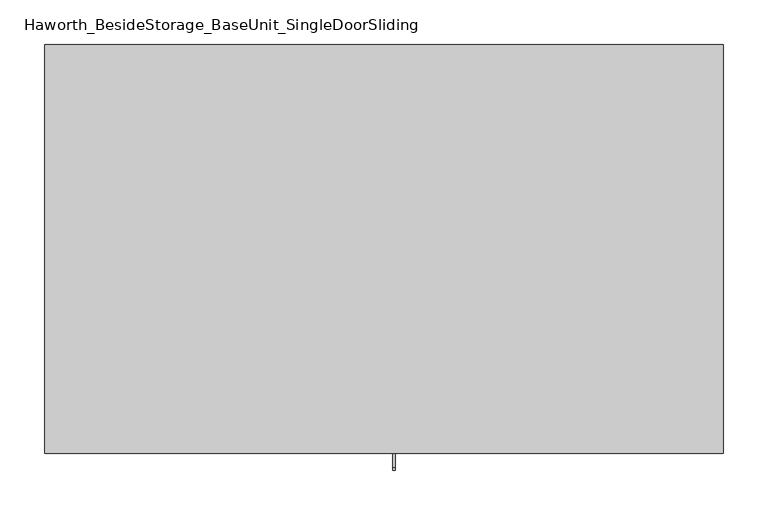
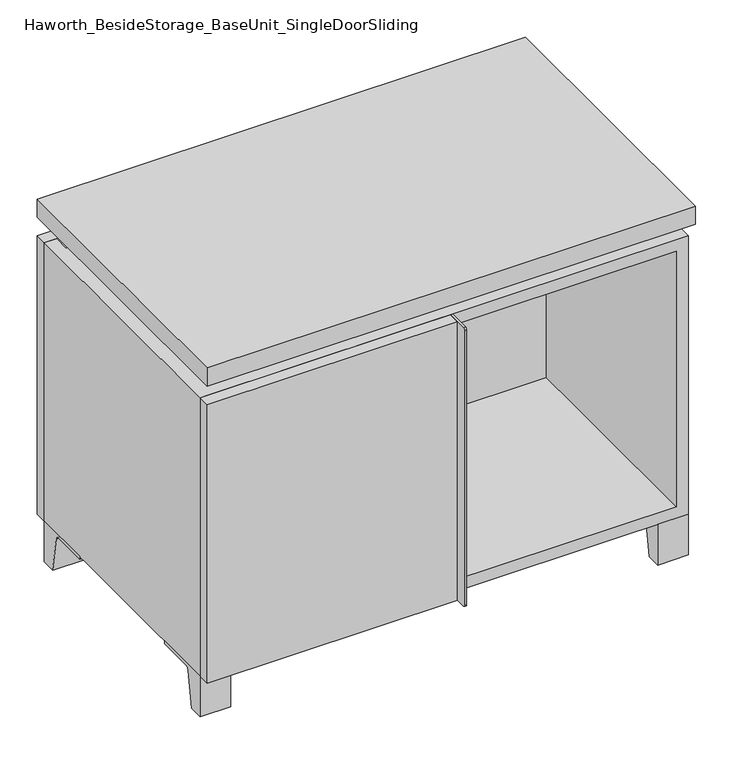
"""IFC4 building model written with IfcOpenShell, lengths in millimetres: furniture geometry, Haworth_BesideStorage_BaseUnit_SingleDoorSliding."""

from ifc_helpers import new_model, si_unit, point, frame, frame_2d, origin, place, context, project, spatial, polyline, circle_curve, trimmed, segment, composite_curve, outline, extrude, faceted_brep, source, transform, mapped, element, save


def haworth_besidestorage_baseunit_singledoorsliding_e804cdb2(model_context):
    return source(origin(), model_context, "Body", "SolidModel", [
        extrude(outline(composite_curve([segment(polyline([(-123.2958469, 0.0), (-146.05, 0.0), (-146.05, 66.675), (-50.8, 66.675), (-50.8, 61.8963321), (-107.6005345, 61.8963321)]), True, "CONTINUOUS"), segment(trimmed(circle_curve(frame_2d((-107.6005345, 55.5463321)), 6.35), [point((-107.6005345, 61.8963321))], [point((-113.8641359, 56.5902656))], True, "CARTESIAN"), True, "CONTINUOUS"), segment(polyline([(-113.8641359, 56.5902656), (-123.2958469, 0.0)]), True, "CONTINUOUS")], self_intersect=False)), frame((331.8013906, 0.0, 0.0), z_axis=(1.0, 0.0, 0.0), x_axis=(0.0, 1.0, 0.0)), (0.0, 0.0, 1.0), 47.625),
        extrude(outline(composite_curve([segment(polyline([(250.2958469, 0.0), (240.8641359, 56.5902656)]), True, "CONTINUOUS"), segment(trimmed(circle_curve(frame_2d((234.6005345, 55.5463321)), 6.35), [point((240.8641359, 56.5902656))], [point((234.6005345, 61.8963321))], True, "CARTESIAN"), True, "CONTINUOUS"), segment(polyline([(234.6005345, 61.8963321), (177.8, 61.8963321), (177.8, 66.675), (273.05, 66.675), (273.05, 0.0), (250.2958469, 0.0)]), True, "CONTINUOUS")], self_intersect=False)), frame((331.8013906, 0.0, 0.0), z_axis=(1.0, 0.0, 0.0), x_axis=(0.0, 1.0, 0.0)), (0.0, 0.0, 1.0), 47.625),
        extrude(outline(composite_curve([segment(polyline([(-123.2958469, 0.0), (-146.05, 0.0), (-146.05, 66.675), (-50.8, 66.675), (-50.8, 61.8963321), (-107.6005345, 61.8963321)]), True, "CONTINUOUS"), segment(trimmed(circle_curve(frame_2d((-107.6005345, 55.5463321)), 6.35), [point((-107.6005345, 61.8963321))], [point((-113.8641359, 56.5902656))], True, "CARTESIAN"), True, "CONTINUOUS"), segment(polyline([(-113.8641359, 56.5902656), (-123.2958469, 0.0)]), True, "CONTINUOUS")], self_intersect=False)), frame((-379.3986094, 0.0, 0.0), z_axis=(1.0, 0.0, 0.0), x_axis=(0.0, 1.0, 0.0)), (0.0, 0.0, 1.0), 47.625),
        extrude(outline(composite_curve([segment(polyline([(250.2958469, 0.0), (240.8641359, 56.5902656)]), True, "CONTINUOUS"), segment(trimmed(circle_curve(frame_2d((234.6005345, 55.5463321)), 6.35), [point((240.8641359, 56.5902656))], [point((234.6005345, 61.8963321))], True, "CARTESIAN"), True, "CONTINUOUS"), segment(polyline([(234.6005345, 61.8963321), (177.8, 61.8963321), (177.8, 66.675), (273.05, 66.675), (273.05, 0.0), (250.2958469, 0.0)]), True, "CONTINUOUS")], self_intersect=False)), frame((-379.3986094, 0.0, 0.0), z_axis=(1.0, 0.0, 0.0), x_axis=(0.0, 1.0, 0.0)), (0.0, 0.0, 1.0), 47.625),
        faceted_brep([(-379.3986094, -146.05, 66.675), (379.4125, -146.05, 66.675), (379.4125, -146.05, 523.875), (-379.3986094, -146.05, 523.875), (-360.3486094, -146.05, 85.725), (-360.3486094, -146.05, 504.825), (360.3694453, -146.05, 504.825), (360.3486094, -146.05, 85.725), (-379.3986094, 273.05, 66.675), (-379.3986094, 273.05, 523.875), (-360.3486094, 273.05, 523.875), (-360.3486094, 273.05, 85.725), (360.3486094, 273.05, 85.725), (360.3486094, 273.05, 523.875), (379.4125, 273.05, 523.875), (379.4125, 273.05, 66.675), (360.3486094, 247.65, 523.875), (-360.3416641, 247.65, 523.875), (-360.3486094, 247.65, 504.825), (360.3486094, 247.65, 504.825)], [[[0, 1, 2, 3], [4, 5, 6, 7]], [[8, 9, 10, 11, 12, 13, 14, 15]], [[1, 0, 8, 15]], [[2, 1, 15, 14]], [[3, 2, 14, 13, 16, 17, 10, 9]], [[0, 3, 9, 8]], [[11, 10, 17, 18, 5, 4]], [[13, 12, 7, 6, 19, 16]], [[4, 7, 12, 11]], [[6, 5, 18, 19]], [[17, 16, 19, 18]]]),
        extrude(outline(polyline([(379.4263906, -165.1), (-379.3986094, -165.1), (-379.3986094, 292.1), (379.4263906, 292.1), (379.4263906, -165.1)])), frame((0.0, 0.0, 554.0375), z_axis=(0.0, 0.0, 1.0), x_axis=(1.0, 0.0, 0.0)), (0.0, 0.0, 1.0), 30.1625),
        faceted_brep([(7.9513906, -69.85, 554.0375), (7.9513906, -69.85, 523.875), (7.9513906, 53.975, 523.875), (7.9513906, 53.975, 554.0375), (7.9513906, 196.85, 523.875), (7.9513906, 196.85, 554.0375), (7.9513906, 73.025, 554.0375), (7.9513906, 73.025, 523.875), (-7.9236094, 196.85, 554.0375), (-7.9236094, 196.85, 523.875), (-7.9236094, 73.025, 523.875), (-7.9236094, 73.025, 554.0375), (-7.9236094, -69.85, 523.875), (-7.9236094, -69.85, 554.0375), (-7.9236094, 53.975, 554.0375), (-7.9236094, 53.975, 523.875), (-338.0958281, 73.025, 554.0375), (-338.1166641, 247.65, 554.0375), (-353.9916641, 247.65, 554.0375), (-353.9916641, -120.65, 554.0375), (-338.1166641, -120.65, 554.0375), (-338.1166641, 53.975, 554.0375), (338.1236094, 53.975, 554.0375), (338.1236094, -120.65, 554.0375), (353.9986094, -120.65, 554.0375), (353.9986094, 247.65, 554.0375), (338.1236094, 247.65, 554.0375), (338.1236094, 73.025, 554.0375), (-338.0958281, 53.975, 523.875), (-338.1166641, -120.65, 523.875), (-353.9916641, -120.65, 523.875), (-353.9916641, 247.65, 523.875), (-338.1166641, 247.65, 523.875), (-338.1166641, 73.025, 523.875), (338.1236094, 73.025, 523.875), (338.1236094, 247.65, 523.875), (353.9986094, 247.65, 523.875), (353.9986094, -120.65, 523.875), (338.1236094, -120.65, 523.875), (338.1236094, 53.975, 523.875)], [[[0, 1, 2, 3]], [[4, 5, 6, 7]], [[8, 9, 10, 11]], [[12, 13, 14, 15]], [[5, 8, 11, 16, 17, 18, 19, 20, 21, 14, 13, 0, 3, 22, 23, 24, 25, 26, 27, 6]], [[1, 12, 15, 28, 29, 30, 31, 32, 33, 10, 9, 4, 7, 34, 35, 36, 37, 38, 39, 2]], [[5, 4, 9, 8]], [[1, 0, 13, 12]], [[6, 27, 34, 7]], [[22, 3, 2, 39]], [[20, 29, 28, 21]], [[32, 17, 16, 33]], [[18, 31, 30, 19]], [[29, 20, 19, 30]], [[17, 32, 31, 18]], [[26, 35, 34, 27]], [[38, 23, 22, 39]], [[25, 24, 37, 36]], [[23, 38, 37, 24]], [[35, 26, 25, 36]], [[16, 11, 10, 33]], [[14, 21, 28, 15]]]),
        extrude(outline(polyline([(9.5388906, 203.2), (9.5388906, -146.05), (-9.5111094, -146.05), (-9.5111094, 203.2), (9.5388906, 203.2)])), frame((0.0, 0.0, 85.725), z_axis=(0.0, 0.0, 1.0), x_axis=(1.0, 0.0, 0.0)), (0.0, 0.0, 1.0), 419.1),
        extrude(outline(polyline([(379.4263906, 273.05), (-379.3986094, 273.05), (-379.3986094, 292.1), (379.4263906, 292.1), (379.4263906, 273.05)])), frame((0.0, 0.0, 66.675), z_axis=(0.0, 0.0, 1.0), x_axis=(1.0, 0.0, 0.0)), (0.0, 0.0, 1.0), 457.2),
        extrude(outline(polyline([(-360.3416641, 203.2), (-360.3416641, 209.55), (360.3694453, 209.55), (360.3694453, 203.2), (-360.3416641, 203.2)])), frame((0.0, 0.0, 85.725), z_axis=(0.0, 0.0, 1.0), x_axis=(1.0, 0.0, 0.0)), (0.0, 0.0, 1.0), 419.1),
        extrude(outline(composite_curve([segment(polyline([(-146.05, 523.875), (-146.05, 66.675), (-180.975, 66.675)]), True, "CONTINUOUS"), segment(trimmed(circle_curve(frame_2d((-180.975, 69.85)), 3.175), [point((-180.975, 66.675))], [point((-184.15, 69.85))], False, "CARTESIAN"), True, "CONTINUOUS"), segment(polyline([(-184.15, 69.85), (-184.15, 520.7)]), True, "CONTINUOUS"), segment(trimmed(circle_curve(frame_2d((-180.975, 520.7)), 3.175), [point((-184.15, 520.7))], [point((-180.975, 523.875))], False, "CARTESIAN"), True, "CONTINUOUS"), segment(polyline([(-180.975, 523.875), (-146.05, 523.875)]), True, "CONTINUOUS")], self_intersect=False)), frame((9.5388906, 0.0, 0.0), z_axis=(1.0, 0.0, 0.0), x_axis=(0.0, 1.0, 0.0)), (0.0, 0.0, 1.0), 3.175),
        extrude(outline(polyline([(-379.3986094, -146.05), (9.5388906, -146.05), (9.5388906, -165.1), (-379.3986094, -165.1), (-379.3986094, -146.05)])), frame((0.0, 0.0, 66.675), z_axis=(0.0, 0.0, 1.0), x_axis=(1.0, 0.0, 0.0)), (0.0, 0.0, 1.0), 457.2),
    ])


if __name__ == "__main__":
    model = new_model("IFC4")
    model_context = context("Model", 3, world=origin())
    ifc_project = project(units=[si_unit("LENGTHUNIT", "METRE", prefix="MILLI")], contexts=[model_context])
    site = spatial("IfcSite", under=ifc_project)
    building = spatial("IfcBuilding", under=site)
    placement = place(None, origin())
    haworth_besidestorage_baseunit_singledoorsliding_shape = haworth_besidestorage_baseunit_singledoorsliding_e804cdb2(model_context)
    element("IfcFurniture", 1, ObjectType="Haworth_BesideStorage_BaseUnit_SingleDoorSliding", at=placement, inside=building, context=model_context, shape_type="MappedRepresentation", body=[
        mapped(haworth_besidestorage_baseunit_singledoorsliding_shape, transform((0.0, 0.0, 0.0), x_axis=(1.0, 0.0, 0.0), y_axis=(0.0, 1.0, 0.0), z_axis=(0.0, 0.0, 1.0))),
    ])
    save(model, "model.ifc")
